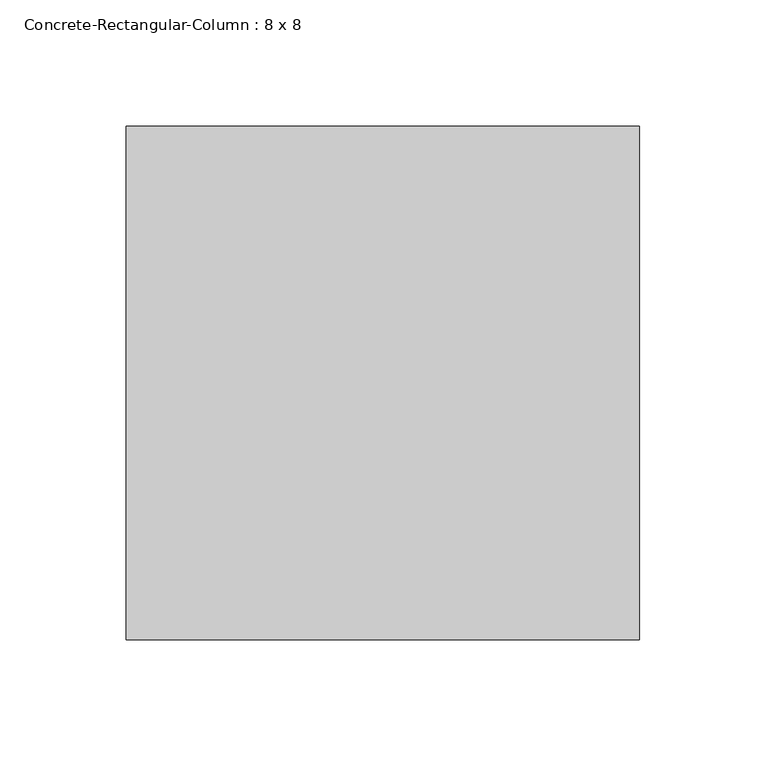
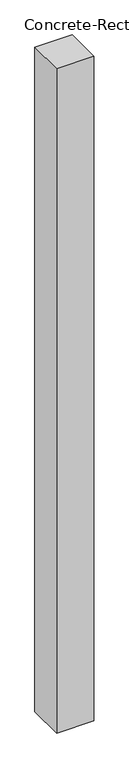
"""IFC4 building model written with IfcOpenShell, lengths in millimetres: column geometry, Concrete-Rectangular-Column : 8 x 8."""

import ifcopenshell
import ifcopenshell.guid

model = None  # the IFC model being written
_history = None  # IfcOwnerHistory: only IFC2X3 demands one
_inside = {}  # id of a spatial element -> (the spatial element, [elements in it])
_under = {}  # id of a project, library or spatial element -> (it, [spatial elements below it])
_declared = {}  # id of a project -> (the project, [libraries it declares])
_typed = {}  # id of a type object -> (the type object, [elements of that type])
_made_of = {}  # id of a material, layer set ... -> (it, [elements and type objects made of it])


def new_model(schema):
    """Start an empty IFC model of exactly this schema.

    Asked for "IFC4X3", IfcOpenShell would pick the latest addendum, in which some entities
    have other attributes; the version numbers below select the first issue.
    IFC2X3 requires an IfcOwnerHistory on every rooted entity: one is made here for all.
    """
    global model, _history
    if schema == "IFC4X3":
        model = ifcopenshell.file(schema_version=(4, 3, 0, 0))
    else:
        model = ifcopenshell.file(schema=schema)
    _inside.clear()
    _under.clear()
    _declared.clear()
    _typed.clear()
    _made_of.clear()
    _history = None
    if model.schema == "IFC2X3":
        org = make("IfcOrganization", Name="unknown")
        user = make(
            "IfcPersonAndOrganization",
            ThePerson=make("IfcPerson", FamilyName="unknown"),
            TheOrganization=org,
        )
        app = make(
            "IfcApplication",
            ApplicationDeveloper=org,
            Version="unknown",
            ApplicationFullName="unknown",
            ApplicationIdentifier="unknown",
        )
        _history = make(
            "IfcOwnerHistory",
            OwningUser=user,
            OwningApplication=app,
            ChangeAction="ADDED",
            CreationDate=0,
        )
    return model


def make(cls, **values):
    """One entity of the class cls with the attributes given. An attribute that is None is left unset."""
    return model.create_entity(
        cls, **{name: value for name, value in values.items() if value is not None}
    )


def rooted(cls, **values):
    """An entity with a GlobalId (a new one), such as an element, a storey or a relation."""
    return make(cls, GlobalId=ifcopenshell.guid.new(), OwnerHistory=_history, **values)


def si_unit(unit_type, name, prefix=None):
    """IfcSIUnit, for example si_unit("LENGTHUNIT", "METRE", prefix="MILLI")."""
    return make("IfcSIUnit", UnitType=unit_type, Prefix=prefix, Name=name)


def assignment(units):
    """IfcUnitAssignment: the units of a project."""
    return None if units is None else make("IfcUnitAssignment", Units=units)


def point(xyz):
    """IfcCartesianPoint."""
    return None if xyz is None else make("IfcCartesianPoint", Coordinates=xyz)


def direction(xyz):
    """IfcDirection."""
    return None if xyz is None else make("IfcDirection", DirectionRatios=xyz)


def frame(location, z_axis=None, x_axis=None):
    """IfcAxis2Placement3D, a coordinate frame: its origin and axes. An axis left out is left unset."""
    return make(
        "IfcAxis2Placement3D",
        Location=point(location),
        Axis=direction(z_axis),
        RefDirection=direction(x_axis),
    )


def origin():
    """The frame at (0, 0, 0) with its axes left unset."""
    return frame((0.0, 0.0, 0.0))


def place(relative_to, where):
    """IfcLocalPlacement: puts the frame where relative to a parent placement (None: the world)."""
    return make(
        "IfcLocalPlacement", PlacementRelTo=relative_to, RelativePlacement=where
    )


def context(
    kind, dimensions, precision=None, world=None, true_north=None, identifier=None
):
    """IfcGeometricRepresentationContext, for example the 3D "Model" context."""
    return make(
        "IfcGeometricRepresentationContext",
        ContextIdentifier=identifier,
        ContextType=kind,
        CoordinateSpaceDimension=dimensions,
        Precision=precision,
        WorldCoordinateSystem=world,
        TrueNorth=true_north,
    )


def project(units=None, contexts=None):
    """IfcProject with its units and contexts."""
    return rooted(
        "IfcProject",
        Name="project",
        RepresentationContexts=contexts,
        UnitsInContext=assignment(units),
    )


def spatial(cls, under=None, at=None, **own):
    """A site, building, storey or space (cls), placed at a placement, below another one or the project."""
    s = rooted(cls, ObjectPlacement=at, **own)
    if under is not None:
        _under.setdefault(under.id(), (under, []))[1].append(s)
    return s


def polyline(points):
    """IfcPolyline through the points."""
    return make("IfcPolyline", Points=[point(p) for p in points])


def outline(outer, holes=None, kind="AREA"):
    """IfcArbitraryClosedProfileDef: a profile drawn as a closed curve; with holes, ...WithVoids."""
    if holes is None:
        return make("IfcArbitraryClosedProfileDef", ProfileType=kind, OuterCurve=outer)
    return make(
        "IfcArbitraryProfileDefWithVoids",
        ProfileType=kind,
        OuterCurve=outer,
        InnerCurves=holes,
    )


def extrude(swept, where, along, depth):
    """IfcExtrudedAreaSolid: the profile swept, set in the frame where, extruded along a direction by depth."""
    return make(
        "IfcExtrudedAreaSolid",
        SweptArea=swept,
        Position=where,
        ExtrudedDirection=direction(along),
        Depth=depth,
    )


def shape(context_of_items, identifier, shape_type, items):
    """IfcShapeRepresentation: the items that make up one representation, for example the "Body"."""
    return make(
        "IfcShapeRepresentation",
        ContextOfItems=context_of_items,
        RepresentationIdentifier=identifier,
        RepresentationType=shape_type,
        Items=items,
    )


def source(mapping_origin, context_of_items, identifier, shape_type, items):
    """IfcRepresentationMap: a shape defined once, which mapped items show again and again."""
    return make(
        "IfcRepresentationMap",
        MappingOrigin=mapping_origin,
        MappedRepresentation=shape(context_of_items, identifier, shape_type, items),
    )


def transform(
    local_origin,
    x_axis=None,
    y_axis=None,
    z_axis=None,
    scale=None,
    scale2=None,
    scale3=None,
    uniform=True,
):
    """IfcCartesianTransformationOperator3D, or its non-uniform kind. x_axis, y_axis, z_axis: its Axis1, 2, 3."""
    if uniform:
        return make(
            "IfcCartesianTransformationOperator3D",
            Axis1=direction(x_axis),
            Axis2=direction(y_axis),
            LocalOrigin=point(local_origin),
            Scale=scale,
            Axis3=direction(z_axis),
        )
    return make(
        "IfcCartesianTransformationOperator3DnonUniform",
        Axis1=direction(x_axis),
        Axis2=direction(y_axis),
        LocalOrigin=point(local_origin),
        Scale=scale,
        Axis3=direction(z_axis),
        Scale2=scale2,
        Scale3=scale3,
    )


def mapped(mapping_source, mapping_target):
    """IfcMappedItem: shows the shape of a source again, moved by a transform."""
    return make(
        "IfcMappedItem", MappingSource=mapping_source, MappingTarget=mapping_target
    )


def made_of(thing, what):
    """Note that an element or type object is made of a material, layer set ...; save() writes the relation."""
    if what is not None:
        _made_of.setdefault(what.id(), (what, []))[1].append(thing)
    return thing


def element(
    cls,
    number,
    at=None,
    inside=None,
    cuts=None,
    type_object=None,
    material=None,
    context=None,
    identifier="Body",
    shape_type=None,
    held_by="IfcProductDefinitionShape",
    body=None,
    shapes=None,
    **own,
):
    """One element of the class cls, such as IfcWall. Its Tag is "e" and its number.

    at: its placement. inside: the storey or other place that contains it. cuts: it is an
    opening in that element (IfcRelVoidsElement). A single representation is given by context,
    identifier, shape_type and body (its items); several are given by shapes. held_by: the class
    of the entity that holds the representations. save() writes the other relations.
    """
    e = rooted(cls, Tag="e%d" % number, ObjectPlacement=at, **own)
    if body is not None:
        shapes = [shape(context, identifier, shape_type, body)]
    if shapes is not None:
        e.Representation = make(held_by, Representations=shapes)
    if inside is not None:
        _inside.setdefault(inside.id(), (inside, []))[1].append(e)
    if cuts is not None:
        rooted(
            "IfcRelVoidsElement", RelatingBuildingElement=cuts, RelatedOpeningElement=e
        )
    if type_object is not None:
        _typed.setdefault(type_object.id(), (type_object, []))[1].append(e)
    return made_of(e, material)


def aggregate(whole, parts):
    """IfcRelAggregates: a whole, such as a stair, and the parts it consists of."""
    return rooted("IfcRelAggregates", RelatingObject=whole, RelatedObjects=parts)


def save(model, path):
    """Write the relations noted so far, then the file.

    IfcRelAggregates (storeys below a building ...), IfcRelContainedInSpatialStructure (elements
    in a storey), IfcRelDefinesByType, IfcRelAssociatesMaterial and IfcRelDeclares: one each for
    every whole, place, type object, material and project.
    """
    for whole, parts in _under.values():
        aggregate(whole, parts)
    for where, things in _inside.values():
        rooted(
            "IfcRelContainedInSpatialStructure",
            RelatedElements=things,
            RelatingStructure=where,
        )
    for kind, things in _typed.values():
        rooted("IfcRelDefinesByType", RelatedObjects=things, RelatingType=kind)
    for what, things in _made_of.values():
        rooted("IfcRelAssociatesMaterial", RelatedObjects=things, RelatingMaterial=what)
    for by, libraries in _declared.values():
        rooted("IfcRelDeclares", RelatingContext=by, RelatedDefinitions=libraries)
    model.write(path)


def concrete_rectangular_column_8_x_8_7eb47eb4(model_context):
    return source(origin(), model_context, "Body", "SweptSolid", [
        extrude(outline(polyline([(101.6, 101.6), (101.6, -101.6), (-101.6, -101.6), (-101.6, 101.6), (101.6, 101.6)])), frame((0.0, 0.0, 3810.0), z_axis=(0.0, 0.0, 1.0), x_axis=(1.0, 0.0, 0.0)), (0.0, 0.0, 1.0), 3810.0),
    ])


if __name__ == "__main__":
    model = new_model("IFC4")
    model_context = context("Model", 3, world=origin())
    ifc_project = project(units=[si_unit("LENGTHUNIT", "METRE", prefix="MILLI")], contexts=[model_context])
    site = spatial("IfcSite", under=ifc_project)
    building = spatial("IfcBuilding", under=site)
    placement = place(None, origin())
    concrete_rectangular_column_8_x_8_shape = concrete_rectangular_column_8_x_8_7eb47eb4(model_context)
    element("IfcColumn", 1, ObjectType="Concrete-Rectangular-Column : 8 x 8", at=placement, inside=building, context=model_context, shape_type="MappedRepresentation", body=[
        mapped(concrete_rectangular_column_8_x_8_shape, transform((0.0, 0.0, 0.0), x_axis=(1.0, 0.0, 0.0), y_axis=(0.0, 1.0, 0.0), z_axis=(0.0, 0.0, 1.0))),
    ])
    save(model, "model.ifc")
